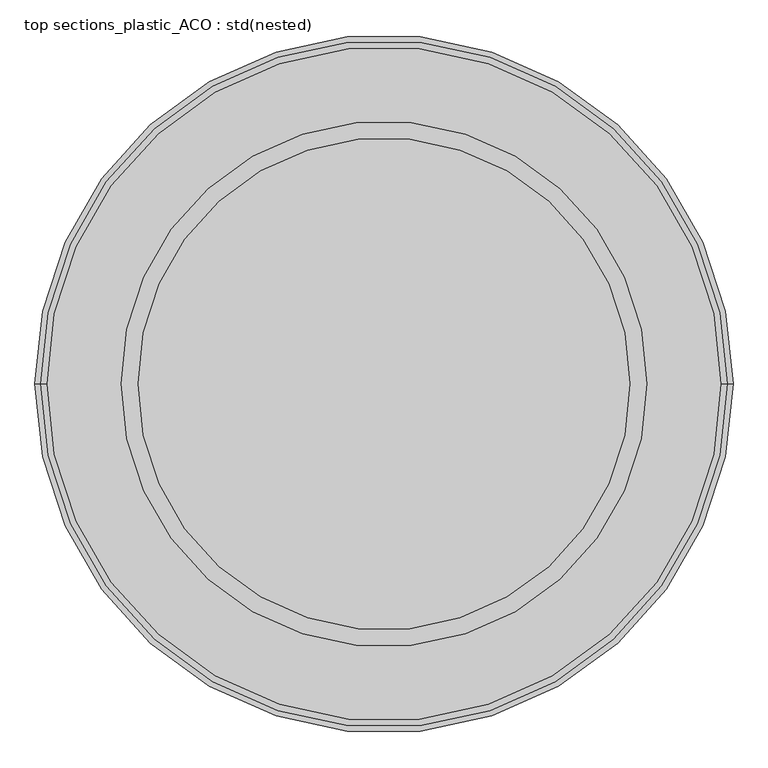
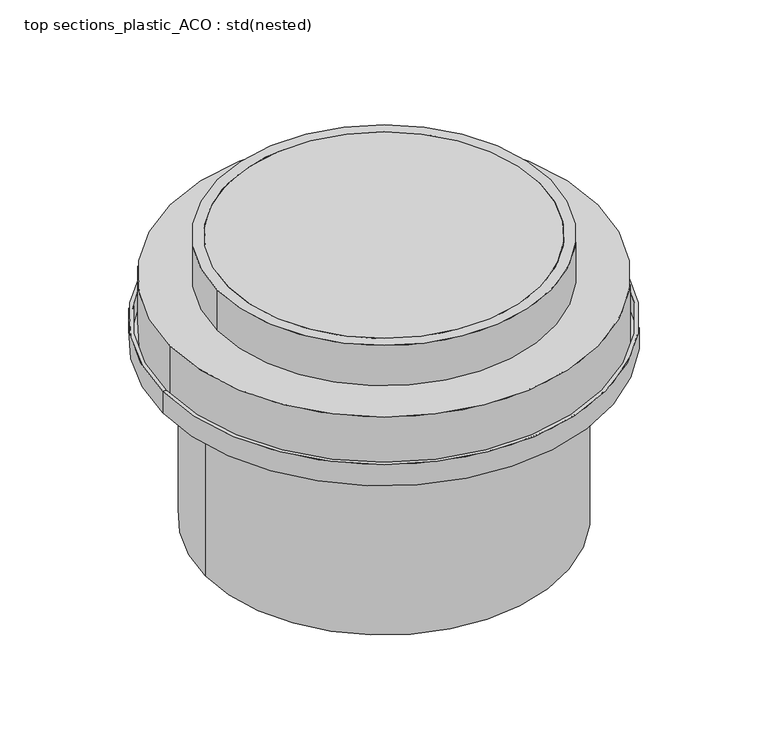
"""IFC4 building model written with IfcOpenShell, lengths in millimetres: unitary equipment geometry, top sections_plastic_ACO : std(nested)."""

from ifc_helpers import new_model, si_unit, point, frame, origin, origin_2d, place, context, project, spatial, polyline, circle_curve, trimmed, segment, composite_curve, outline, extrude, source, transform, mapped, element, save
from ifc_brep_helpers import plane_surface, cylinder_surface, revolved_surface, advanced_brep


def top_sections_plastic_aco_std_nested_3313eb94(model_context):
    return source(origin(), model_context, "Body", "SolidModel", [
        advanced_brep(
        [(-510.0, 0.0, -205.0), (510.0, 0.0, -205.0), (518.0, 0.0, -205.0), (-518.0, 0.0, -205.0), (-510.0, 0.0, -250.0), (510.0, 0.0, -250.0), (-410.0, 0.0, -250.0), (410.0, 0.0, -250.0), (-410.0, 0.0, -697.0), (410.0, 0.0, -697.0), (-418.0, 0.0, -697.0), (418.0, 0.0, -697.0), (-418.0, 0.0, -258.0), (418.0, 0.0, -258.0), (-518.0, 0.0, -258.0), (518.0, 0.0, -258.0)],
        [
            (0, 1, circle_curve(frame((0.0, 0.0, -205.0), z_axis=(0.0, 0.0, -1.0), x_axis=(1.0, 0.0, 0.0)), 510.0)),
            (1, 2),
            (2, 3, circle_curve(frame((0.0, 0.0, -205.0), z_axis=(0.0, 0.0, 1.0), x_axis=(1.0, 0.0, 0.0)), 518.0)),
            (3, 0),
            (1, 0, circle_curve(frame((0.0, 0.0, -205.0), z_axis=(0.0, 0.0, -1.0), x_axis=(1.0, 0.0, 0.0)), 510.0)),
            (3, 2, circle_curve(frame((0.0, 0.0, -205.0), z_axis=(0.0, 0.0, 1.0), x_axis=(1.0, 0.0, 0.0)), 518.0)),
            (4, 5, circle_curve(frame((0.0, 0.0, -250.0), z_axis=(0.0, 0.0, -1.0), x_axis=(1.0, 0.0, 0.0)), 510.0)),
            (5, 1),
            (0, 4),
            (5, 4, circle_curve(frame((0.0, 0.0, -250.0), z_axis=(0.0, 0.0, -1.0), x_axis=(1.0, 0.0, 0.0)), 510.0)),
            (6, 7, circle_curve(frame((0.0, 0.0, -250.0), z_axis=(0.0, 0.0, -1.0), x_axis=(1.0, 0.0, 0.0)), 410.0)),
            (7, 5),
            (4, 6),
            (7, 6, circle_curve(frame((0.0, 0.0, -250.0), z_axis=(0.0, 0.0, -1.0), x_axis=(1.0, 0.0, 0.0)), 410.0)),
            (8, 9, circle_curve(frame((0.0, 0.0, -697.0), z_axis=(0.0, 0.0, -1.0), x_axis=(1.0, 0.0, 0.0)), 410.0)),
            (9, 7),
            (6, 8),
            (9, 8, circle_curve(frame((0.0, 0.0, -697.0), z_axis=(0.0, 0.0, -1.0), x_axis=(1.0, 0.0, 0.0)), 410.0)),
            (10, 11, circle_curve(frame((0.0, 0.0, -697.0), z_axis=(0.0, 0.0, -1.0), x_axis=(1.0, 0.0, 0.0)), 418.0)),
            (11, 9),
            (8, 10),
            (11, 10, circle_curve(frame((0.0, 0.0, -697.0), z_axis=(0.0, 0.0, -1.0), x_axis=(1.0, 0.0, 0.0)), 418.0)),
            (12, 13, circle_curve(frame((0.0, 0.0, -258.0), z_axis=(0.0, 0.0, -1.0), x_axis=(1.0, 0.0, 0.0)), 418.0)),
            (13, 11),
            (10, 12),
            (13, 12, circle_curve(frame((0.0, 0.0, -258.0), z_axis=(0.0, 0.0, -1.0), x_axis=(1.0, 0.0, 0.0)), 418.0)),
            (14, 15, circle_curve(frame((0.0, 0.0, -258.0), z_axis=(0.0, 0.0, -1.0), x_axis=(1.0, 0.0, 0.0)), 518.0)),
            (15, 13),
            (12, 14),
            (15, 14, circle_curve(frame((0.0, 0.0, -258.0), z_axis=(0.0, 0.0, -1.0), x_axis=(1.0, 0.0, 0.0)), 518.0)),
            (2, 15),
            (14, 3),
        ],
        [
            plane_surface(frame((0.0, 0.0, -205.0), z_axis=(0.0, 0.0, 1.0), x_axis=(1.0, 0.0, 0.0))),
            revolved_surface(polyline([(510.0, 0.0, -205.0), (510.0, 0.0, -250.0)]), (0.0, 0.0, 240.0), (0.0, 0.0, 1.0)),
            plane_surface(frame((0.0, 0.0, -250.0), z_axis=(0.0, 0.0, 1.0), x_axis=(1.0, 0.0, 0.0))),
            revolved_surface(polyline([(410.0, 0.0, -250.0), (410.0, 0.0, -697.0)]), (0.0, 0.0, 240.0), (0.0, 0.0, 1.0)),
            plane_surface(frame((0.0, 0.0, -697.0), z_axis=(0.0, 0.0, -1.0), x_axis=(1.0, 0.0, 0.0))),
            cylinder_surface(frame((0.0, 0.0, 240.0), z_axis=(0.0, 0.0, 1.0), x_axis=(1.0, 0.0, 0.0)), 418.0),
            plane_surface(frame((0.0, 0.0, -258.0), z_axis=(0.0, 0.0, -1.0), x_axis=(1.0, 0.0, 0.0))),
            cylinder_surface(frame((0.0, 0.0, 240.0), z_axis=(0.0, 0.0, 1.0), x_axis=(1.0, 0.0, 0.0)), 518.0),
        ],
        [
            (0, [[1, 2, 3, 4]]),
            (0, [[5, -4, 6, -2]]),
            (1, [[7, 8, -1, 9]]),
            (1, [[10, -9, -5, -8]]),
            (2, [[11, 12, -7, 13]]),
            (2, [[14, -13, -10, -12]]),
            (3, [[15, 16, -11, 17]]),
            (3, [[18, -17, -14, -16]]),
            (4, [[19, 20, -15, 21]]),
            (4, [[22, -21, -18, -20]]),
            (5, [[23, 24, -19, 25]]),
            (5, [[26, -25, -22, -24]]),
            (6, [[27, 28, -23, 29]]),
            (6, [[30, -29, -26, -28]]),
            (7, [[-3, 31, -27, 32]]),
            (7, [[-6, -32, -30, -31]]),
        ],
    ),
        extrude(outline(composite_curve([segment(trimmed(circle_curve(origin_2d(), 500.0), [point((-500.0, 0.0))], [point((500.0, 0.0))], False, "CARTESIAN"), True, "CONTINUOUS"), segment(trimmed(circle_curve(origin_2d(), 500.0), [point((500.0, 0.0))], [point((-500.0, 0.0))], False, "CARTESIAN"), True, "CONTINUOUS")], self_intersect=False)), frame((0.0, 0.0, -250.0), z_axis=(0.0, 0.0, 1.0), x_axis=(1.0, 0.0, 0.0)), (0.0, 0.0, 1.0), 150.0),
        extrude(outline(composite_curve([segment(trimmed(circle_curve(origin_2d(), 365.0), [point((365.0, 0.0))], [point((-365.0, 0.0))], False, "CARTESIAN"), True, "CONTINUOUS"), segment(trimmed(circle_curve(origin_2d(), 365.0), [point((-365.0, 0.0))], [point((365.0, 0.0))], False, "CARTESIAN"), True, "CONTINUOUS")], self_intersect=False)), frame((0.0, 0.0, -100.0), z_axis=(0.0, 0.0, 1.0), x_axis=(1.0, 0.0, 0.0)), (0.0, 0.0, 1.0), 100.0),
        extrude(outline(composite_curve([segment(trimmed(circle_curve(origin_2d(), 390.0), [point((-390.0, 0.0))], [point((390.0, 0.0))], False, "CARTESIAN"), True, "CONTINUOUS"), segment(trimmed(circle_curve(origin_2d(), 390.0), [point((390.0, 0.0))], [point((-390.0, 0.0))], False, "CARTESIAN"), True, "CONTINUOUS")], self_intersect=False), holes=[composite_curve([segment(trimmed(circle_curve(origin_2d(), 365.0), [point((-365.0, 0.0))], [point((365.0, 0.0))], True, "CARTESIAN"), True, "CONTINUOUS"), segment(trimmed(circle_curve(origin_2d(), 365.0), [point((365.0, 0.0))], [point((-365.0, 0.0))], True, "CARTESIAN"), True, "CONTINUOUS")], self_intersect=False)]), frame((0.0, 0.0, -100.0), z_axis=(0.0, 0.0, 1.0), x_axis=(1.0, 0.0, 0.0)), (0.0, 0.0, 1.0), 100.0),
    ])


if __name__ == "__main__":
    model = new_model("IFC4")
    model_context = context("Model", 3, world=origin())
    ifc_project = project(units=[si_unit("LENGTHUNIT", "METRE", prefix="MILLI")], contexts=[model_context])
    site = spatial("IfcSite", under=ifc_project)
    building = spatial("IfcBuilding", under=site)
    placement = place(None, origin())
    top_sections_plastic_aco_std_nested_shape = top_sections_plastic_aco_std_nested_3313eb94(model_context)
    element("IfcUnitaryEquipment", 1, ObjectType="top sections_plastic_ACO : std(nested)", at=placement, inside=building, context=model_context, shape_type="MappedRepresentation", body=[
        mapped(top_sections_plastic_aco_std_nested_shape, transform((0.0, 0.0, 0.0), x_axis=(1.0, 0.0, 0.0), y_axis=(0.0, 1.0, 0.0), z_axis=(0.0, 0.0, 1.0))),
    ])
    save(model, "model.ifc")
